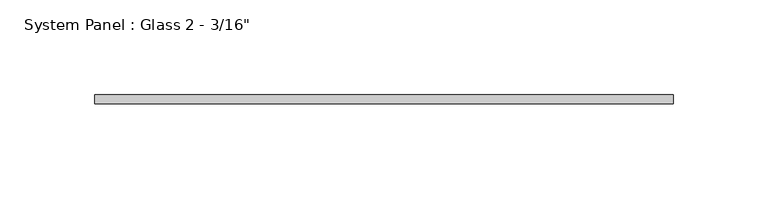
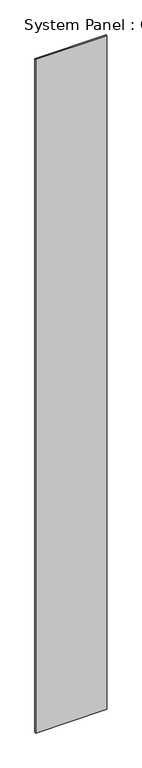
"""IFC4 building model written with IfcOpenShell, lengths in millimetres: plate geometry."""

from ifc_helpers import new_model, si_unit, origin, origin_with_axes, place, context, project, spatial, polyline, outline, extrude, source, transform, mapped, element, save


def plate_89c0b0d6(model_context):
    return source(origin(), model_context, "Body", "SweptSolid", [
        extrude(outline(polyline([(152.4, 6.35), (-152.4, 6.35), (-152.4, 11.1125), (152.4, 11.1125), (152.4, 6.35)])), origin_with_axes(), (0.0, 0.0, 1.0), 3048.0),
    ])


if __name__ == "__main__":
    model = new_model("IFC4")
    model_context = context("Model", 3, world=origin())
    ifc_project = project(units=[si_unit("LENGTHUNIT", "METRE", prefix="MILLI")], contexts=[model_context])
    site = spatial("IfcSite", under=ifc_project)
    building = spatial("IfcBuilding", under=site)
    placement = place(None, origin())
    plate_shape = plate_89c0b0d6(model_context)
    element("IfcPlate", 1, ObjectType="System Panel : Glass 2 - 3/16\"", at=placement, inside=building, context=model_context, shape_type="MappedRepresentation", body=[
        mapped(plate_shape, transform((0.0, 0.0, 0.0), x_axis=(1.0, 0.0, 0.0), y_axis=(0.0, 1.0, 0.0), z_axis=(0.0, 0.0, 1.0))),
    ])
    save(model, "model.ifc")
